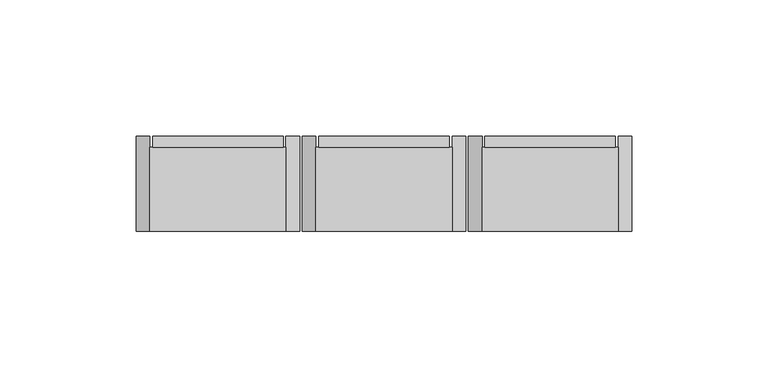
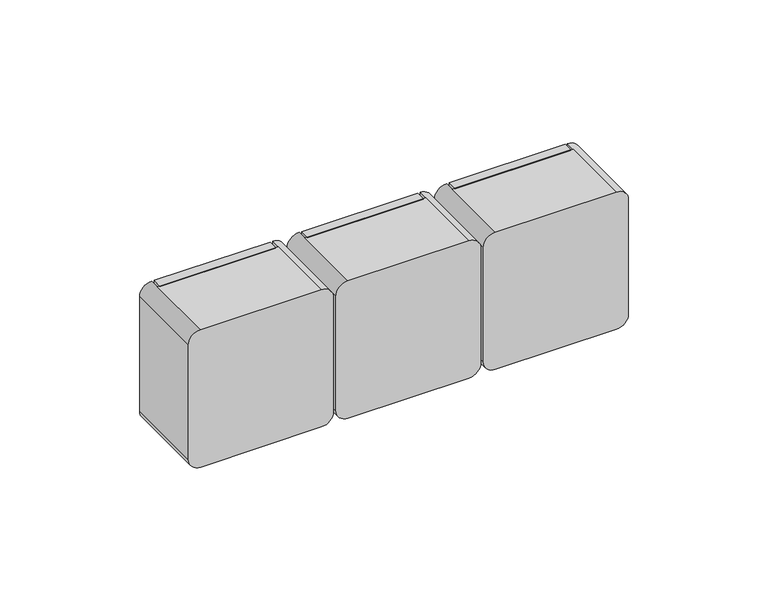
"""IFC4 building model written with IfcOpenShell, lengths in millimetres: proxy geometry."""

from ifc_helpers import new_model, si_unit, frame, origin, place, context, project, spatial, polyline, circle_curve, outline, extrude, source, transform, mapped, element, save
from ifc_brep_helpers import plane_surface, cylinder_surface, advanced_brep


def electrical_fixtures_22262d92(model_context):
    return source(origin(), model_context, "Body", "SolidModel", [
        extrude(outline(polyline([(40.0, 35.0), (88.0, 35.0), (88.0, 31.0), (40.0, 31.0), (40.0, 35.0)])), frame((0.0, 0.0, 150.0), z_axis=(0.0, 0.0, 1.0), x_axis=(1.0, 0.0, 0.0)), (0.0, 0.0, 1.0), 60.0),
        advanced_brep(
        [(89.0, 35.0, 210.0), (94.0, 35.0, 205.0), (94.0, 35.0, 155.0), (89.0, 35.0, 150.0), (39.0, 35.0, 150.0), (34.0, 35.0, 155.0), (34.0, 35.0, 205.0), (39.0, 35.0, 210.0), (39.0, 0.0, 210.0), (34.0, 0.0, 205.0), (34.0, 0.0, 155.0), (39.0, 0.0, 150.0), (89.0, 0.0, 150.0), (94.0, 0.0, 155.0), (94.0, 0.0, 205.0), (89.0, 0.0, 210.0), (89.0, 31.0, 210.0), (39.0, 31.0, 210.0), (39.0, 31.0, 150.0), (89.0, 31.0, 150.0)],
        [
            (0, 1, circle_curve(frame((89.0, 35.0, 205.0), z_axis=(0.0, 1.0, 0.0), x_axis=(-1.0, 0.0, 0.0)), 5.0)),
            (1, 2),
            (2, 3, circle_curve(frame((89.0, 35.0, 155.0), z_axis=(0.0, 1.0, 0.0), x_axis=(-1.0, 0.0, 0.0)), 5.0)),
            (3, 0),
            (4, 5, circle_curve(frame((39.0, 35.0, 155.0), z_axis=(0.0, 1.0, 0.0), x_axis=(-1.0, 0.0, 0.0)), 5.0)),
            (5, 6),
            (6, 7, circle_curve(frame((39.0, 35.0, 205.0), z_axis=(0.0, 1.0, 0.0), x_axis=(-1.0, 0.0, 0.0)), 5.0)),
            (7, 4),
            (8, 9, circle_curve(frame((39.0, 0.0, 205.0), z_axis=(0.0, -1.0, 0.0), x_axis=(-1.0, 0.0, 0.0)), 5.0)),
            (9, 10),
            (10, 11, circle_curve(frame((39.0, 0.0, 155.0), z_axis=(0.0, -1.0, 0.0), x_axis=(-1.0, 0.0, 0.0)), 5.0)),
            (11, 12),
            (12, 13, circle_curve(frame((89.0, 0.0, 155.0), z_axis=(0.0, -1.0, 0.0), x_axis=(-1.0, 0.0, 0.0)), 5.0)),
            (13, 14),
            (14, 15, circle_curve(frame((89.0, 0.0, 205.0), z_axis=(0.0, -1.0, 0.0), x_axis=(-1.0, 0.0, 0.0)), 5.0)),
            (15, 8),
            (15, 16),
            (16, 17),
            (17, 8),
            (1, 14),
            (13, 2),
            (11, 18),
            (18, 19),
            (19, 12),
            (5, 10),
            (9, 6),
            (0, 16),
            (19, 3),
            (4, 18),
            (17, 7),
            (16, 19),
            (18, 17),
        ],
        [
            plane_surface(frame((84.0, 35.0, 210.0), z_axis=(0.0, 1.0, 0.0), x_axis=(1.0, 0.0, 0.0))),
            plane_surface(frame((84.0, 0.0, 210.0), z_axis=(0.0, -1.0, 0.0), x_axis=(-1.0, 0.0, 0.0))),
            plane_surface(frame((39.0, 35.0, 210.0), z_axis=(0.0, 0.0, 1.0), x_axis=(0.0, -1.0, 0.0))),
            plane_surface(frame((94.0, 35.0, 205.0), z_axis=(1.0, 0.0, 0.0), x_axis=(0.0, -1.0, 0.0))),
            plane_surface(frame((89.0, 35.0, 150.0), z_axis=(0.0, 0.0, -1.0), x_axis=(0.0, -1.0, 0.0))),
            plane_surface(frame((34.0, 35.0, 155.0), z_axis=(-1.0, 0.0, 0.0), x_axis=(0.0, -1.0, 0.0))),
            cylinder_surface(frame((89.0, 0.0, 205.0), z_axis=(0.0, 1.0, 0.0), x_axis=(-1.0, 0.0, 0.0)), 5.0),
            cylinder_surface(frame((89.0, 0.0, 155.0), z_axis=(0.0, 1.0, 0.0), x_axis=(-1.0, 0.0, 0.0)), 5.0),
            cylinder_surface(frame((39.0, 0.0, 155.0), z_axis=(0.0, 1.0, 0.0), x_axis=(-1.0, 0.0, 0.0)), 5.0),
            cylinder_surface(frame((39.0, 0.0, 205.0), z_axis=(0.0, 1.0, 0.0), x_axis=(-1.0, 0.0, 0.0)), 5.0),
            plane_surface(frame((39.0, 31.0, 210.0), z_axis=(0.0, 1.0, 0.0), x_axis=(0.0, 0.0, -1.0))),
            plane_surface(frame((39.0, 31.0, 210.0), z_axis=(1.0, 0.0, 0.0), x_axis=(0.0, 1.0, 0.0))),
            plane_surface(frame((89.0, 31.0, 150.0), z_axis=(-1.0, 0.0, 0.0), x_axis=(0.0, 1.0, 0.0))),
        ],
        [
            (0, [[1, 2, 3, 4]]),
            (0, [[5, 6, 7, 8]]),
            (1, [[9, 10, 11, 12, 13, 14, 15, 16]]),
            (2, [[-16, 17, 18, 19]]),
            (3, [[-2, 20, -14, 21]]),
            (4, [[-12, 22, 23, 24]]),
            (5, [[-6, 25, -10, 26]]),
            (6, [[-1, 27, -17, -15, -20]]),
            (7, [[-3, -21, -13, -24, 28]]),
            (8, [[-5, 29, -22, -11, -25]]),
            (9, [[-7, -26, -9, -19, 30]]),
            (10, [[31, -23, 32, -18]]),
            (11, [[-32, -29, -8, -30]]),
            (12, [[-31, -27, -4, -28]]),
        ],
    ),
        extrude(outline(polyline([(101.0, 35.0), (149.0, 35.0), (149.0, 31.0), (101.0, 31.0), (101.0, 35.0)])), frame((0.0, 0.0, 150.0), z_axis=(0.0, 0.0, 1.0), x_axis=(1.0, 0.0, 0.0)), (0.0, 0.0, 1.0), 60.0),
        advanced_brep(
        [(150.0, 35.0, 210.0), (155.0, 35.0, 205.0), (155.0, 35.0, 155.0), (150.0, 35.0, 150.0), (100.0, 35.0, 150.0), (95.0, 35.0, 155.0), (95.0, 35.0, 205.0), (100.0, 35.0, 210.0), (100.0, 0.0, 210.0), (95.0, 0.0, 205.0), (95.0, 0.0, 155.0), (100.0, 0.0, 150.0), (150.0, 0.0, 150.0), (155.0, 0.0, 155.0), (155.0, 0.0, 205.0), (150.0, 0.0, 210.0), (150.0, 31.0, 210.0), (100.0, 31.0, 210.0), (100.0, 31.0, 150.0), (150.0, 31.0, 150.0)],
        [
            (0, 1, circle_curve(frame((150.0, 35.0, 205.0), z_axis=(0.0, 1.0, 0.0), x_axis=(-1.0, 0.0, 0.0)), 5.0)),
            (1, 2),
            (2, 3, circle_curve(frame((150.0, 35.0, 155.0), z_axis=(0.0, 1.0, 0.0), x_axis=(-1.0, 0.0, 0.0)), 5.0)),
            (3, 0),
            (4, 5, circle_curve(frame((100.0, 35.0, 155.0), z_axis=(0.0, 1.0, 0.0), x_axis=(-1.0, 0.0, 0.0)), 5.0)),
            (5, 6),
            (6, 7, circle_curve(frame((100.0, 35.0, 205.0), z_axis=(0.0, 1.0, 0.0), x_axis=(-1.0, 0.0, 0.0)), 5.0)),
            (7, 4),
            (8, 9, circle_curve(frame((100.0, 0.0, 205.0), z_axis=(0.0, -1.0, 0.0), x_axis=(-1.0, 0.0, 0.0)), 5.0)),
            (9, 10),
            (10, 11, circle_curve(frame((100.0, 0.0, 155.0), z_axis=(0.0, -1.0, 0.0), x_axis=(-1.0, 0.0, 0.0)), 5.0)),
            (11, 12),
            (12, 13, circle_curve(frame((150.0, 0.0, 155.0), z_axis=(0.0, -1.0, 0.0), x_axis=(-1.0, 0.0, 0.0)), 5.0)),
            (13, 14),
            (14, 15, circle_curve(frame((150.0, 0.0, 205.0), z_axis=(0.0, -1.0, 0.0), x_axis=(-1.0, 0.0, 0.0)), 5.0)),
            (15, 8),
            (15, 16),
            (16, 17),
            (17, 8),
            (1, 14),
            (13, 2),
            (11, 18),
            (18, 19),
            (19, 12),
            (5, 10),
            (9, 6),
            (0, 16),
            (19, 3),
            (4, 18),
            (17, 7),
            (16, 19),
            (18, 17),
        ],
        [
            plane_surface(frame((145.0, 35.0, 210.0), z_axis=(0.0, 1.0, 0.0), x_axis=(1.0, 0.0, 0.0))),
            plane_surface(frame((145.0, 0.0, 210.0), z_axis=(0.0, -1.0, 0.0), x_axis=(-1.0, 0.0, 0.0))),
            plane_surface(frame((100.0, 35.0, 210.0), z_axis=(0.0, 0.0, 1.0), x_axis=(0.0, -1.0, 0.0))),
            plane_surface(frame((155.0, 35.0, 205.0), z_axis=(1.0, 0.0, 0.0), x_axis=(0.0, -1.0, 0.0))),
            plane_surface(frame((150.0, 35.0, 150.0), z_axis=(0.0, 0.0, -1.0), x_axis=(0.0, -1.0, 0.0))),
            plane_surface(frame((95.0, 35.0, 155.0), z_axis=(-1.0, 0.0, 0.0), x_axis=(0.0, -1.0, 0.0))),
            cylinder_surface(frame((150.0, 0.0, 205.0), z_axis=(0.0, 1.0, 0.0), x_axis=(-1.0, 0.0, 0.0)), 5.0),
            cylinder_surface(frame((150.0, 0.0, 155.0), z_axis=(0.0, 1.0, 0.0), x_axis=(-1.0, 0.0, 0.0)), 5.0),
            cylinder_surface(frame((100.0, 0.0, 155.0), z_axis=(0.0, 1.0, 0.0), x_axis=(-1.0, 0.0, 0.0)), 5.0),
            cylinder_surface(frame((100.0, 0.0, 205.0), z_axis=(0.0, 1.0, 0.0), x_axis=(-1.0, 0.0, 0.0)), 5.0),
            plane_surface(frame((100.0, 31.0, 210.0), z_axis=(0.0, 1.0, 0.0), x_axis=(0.0, 0.0, -1.0))),
            plane_surface(frame((100.0, 31.0, 210.0), z_axis=(1.0, 0.0, 0.0), x_axis=(0.0, 1.0, 0.0))),
            plane_surface(frame((150.0, 31.0, 150.0), z_axis=(-1.0, 0.0, 0.0), x_axis=(0.0, 1.0, 0.0))),
        ],
        [
            (0, [[1, 2, 3, 4]]),
            (0, [[5, 6, 7, 8]]),
            (1, [[9, 10, 11, 12, 13, 14, 15, 16]]),
            (2, [[-16, 17, 18, 19]]),
            (3, [[-2, 20, -14, 21]]),
            (4, [[-12, 22, 23, 24]]),
            (5, [[-6, 25, -10, 26]]),
            (6, [[-1, 27, -17, -15, -20]]),
            (7, [[-3, -21, -13, -24, 28]]),
            (8, [[-5, 29, -22, -11, -25]]),
            (9, [[-7, -26, -9, -19, 30]]),
            (10, [[31, -23, 32, -18]]),
            (11, [[-32, -29, -8, -30]]),
            (12, [[-31, -27, -4, -28]]),
        ],
    ),
        extrude(outline(polyline([(162.0, 35.0), (210.0, 35.0), (210.0, 31.0), (162.0, 31.0), (162.0, 35.0)])), frame((0.0, 0.0, 150.0), z_axis=(0.0, 0.0, 1.0), x_axis=(1.0, 0.0, 0.0)), (0.0, 0.0, 1.0), 60.0),
        advanced_brep(
        [(211.0, 35.0, 210.0), (216.0, 35.0, 205.0), (216.0, 35.0, 155.0), (211.0, 35.0, 150.0), (161.0, 35.0, 150.0), (156.0, 35.0, 155.0), (156.0, 35.0, 205.0), (161.0, 35.0, 210.0), (161.0, 0.0, 210.0), (156.0, 0.0, 205.0), (156.0, 0.0, 155.0), (161.0, 0.0, 150.0), (211.0, 0.0, 150.0), (216.0, 0.0, 155.0), (216.0, 0.0, 205.0), (211.0, 0.0, 210.0), (211.0, 31.0, 210.0), (161.0, 31.0, 210.0), (161.0, 31.0, 150.0), (211.0, 31.0, 150.0)],
        [
            (0, 1, circle_curve(frame((211.0, 35.0, 205.0), z_axis=(0.0, 1.0, 0.0), x_axis=(-1.0, 0.0, 0.0)), 5.0)),
            (1, 2),
            (2, 3, circle_curve(frame((211.0, 35.0, 155.0), z_axis=(0.0, 1.0, 0.0), x_axis=(-1.0, 0.0, 0.0)), 5.0)),
            (3, 0),
            (4, 5, circle_curve(frame((161.0, 35.0, 155.0), z_axis=(0.0, 1.0, 0.0), x_axis=(-1.0, 0.0, 0.0)), 5.0)),
            (5, 6),
            (6, 7, circle_curve(frame((161.0, 35.0, 205.0), z_axis=(0.0, 1.0, 0.0), x_axis=(-1.0, 0.0, 0.0)), 5.0)),
            (7, 4),
            (8, 9, circle_curve(frame((161.0, 0.0, 205.0), z_axis=(0.0, -1.0, 0.0), x_axis=(-1.0, 0.0, 0.0)), 5.0)),
            (9, 10),
            (10, 11, circle_curve(frame((161.0, 0.0, 155.0), z_axis=(0.0, -1.0, 0.0), x_axis=(-1.0, 0.0, 0.0)), 5.0)),
            (11, 12),
            (12, 13, circle_curve(frame((211.0, 0.0, 155.0), z_axis=(0.0, -1.0, 0.0), x_axis=(-1.0, 0.0, 0.0)), 5.0)),
            (13, 14),
            (14, 15, circle_curve(frame((211.0, 0.0, 205.0), z_axis=(0.0, -1.0, 0.0), x_axis=(-1.0, 0.0, 0.0)), 5.0)),
            (15, 8),
            (15, 16),
            (16, 17),
            (17, 8),
            (1, 14),
            (13, 2),
            (11, 18),
            (18, 19),
            (19, 12),
            (5, 10),
            (9, 6),
            (0, 16),
            (19, 3),
            (4, 18),
            (17, 7),
            (16, 19),
            (18, 17),
        ],
        [
            plane_surface(frame((206.0, 35.0, 210.0), z_axis=(0.0, 1.0, 0.0), x_axis=(1.0, 0.0, 0.0))),
            plane_surface(frame((206.0, 0.0, 210.0), z_axis=(0.0, -1.0, 0.0), x_axis=(-1.0, 0.0, 0.0))),
            plane_surface(frame((161.0, 35.0, 210.0), z_axis=(0.0, 0.0, 1.0), x_axis=(0.0, -1.0, 0.0))),
            plane_surface(frame((216.0, 35.0, 205.0), z_axis=(1.0, 0.0, 0.0), x_axis=(0.0, -1.0, 0.0))),
            plane_surface(frame((211.0, 35.0, 150.0), z_axis=(0.0, 0.0, -1.0), x_axis=(0.0, -1.0, 0.0))),
            plane_surface(frame((156.0, 35.0, 155.0), z_axis=(-1.0, 0.0, 0.0), x_axis=(0.0, -1.0, 0.0))),
            cylinder_surface(frame((211.0, 0.0, 205.0), z_axis=(0.0, 1.0, 0.0), x_axis=(-1.0, 0.0, 0.0)), 5.0),
            cylinder_surface(frame((211.0, 0.0, 155.0), z_axis=(0.0, 1.0, 0.0), x_axis=(-1.0, 0.0, 0.0)), 5.0),
            cylinder_surface(frame((161.0, 0.0, 155.0), z_axis=(0.0, 1.0, 0.0), x_axis=(-1.0, 0.0, 0.0)), 5.0),
            cylinder_surface(frame((161.0, 0.0, 205.0), z_axis=(0.0, 1.0, 0.0), x_axis=(-1.0, 0.0, 0.0)), 5.0),
            plane_surface(frame((161.0, 31.0, 210.0), z_axis=(0.0, 1.0, 0.0), x_axis=(0.0, 0.0, -1.0))),
            plane_surface(frame((161.0, 31.0, 210.0), z_axis=(1.0, 0.0, 0.0), x_axis=(0.0, 1.0, 0.0))),
            plane_surface(frame((211.0, 31.0, 150.0), z_axis=(-1.0, 0.0, 0.0), x_axis=(0.0, 1.0, 0.0))),
        ],
        [
            (0, [[1, 2, 3, 4]]),
            (0, [[5, 6, 7, 8]]),
            (1, [[9, 10, 11, 12, 13, 14, 15, 16]]),
            (2, [[-16, 17, 18, 19]]),
            (3, [[-2, 20, -14, 21]]),
            (4, [[-12, 22, 23, 24]]),
            (5, [[-6, 25, -10, 26]]),
            (6, [[-1, 27, -17, -15, -20]]),
            (7, [[-3, -21, -13, -24, 28]]),
            (8, [[-5, 29, -22, -11, -25]]),
            (9, [[-7, -26, -9, -19, 30]]),
            (10, [[31, -23, 32, -18]]),
            (11, [[-32, -29, -8, -30]]),
            (12, [[-31, -27, -4, -28]]),
        ],
    ),
    ])


if __name__ == "__main__":
    model = new_model("IFC4")
    model_context = context("Model", 3, world=origin())
    ifc_project = project(units=[si_unit("LENGTHUNIT", "METRE", prefix="MILLI")], contexts=[model_context])
    site = spatial("IfcSite", under=ifc_project)
    building = spatial("IfcBuilding", under=site)
    placement = place(None, origin())
    electrical_fixtures_shape = electrical_fixtures_22262d92(model_context)
    element("IfcBuildingElementProxy", 1, Name="Electrical Fixtures", at=placement, inside=building, context=model_context, shape_type="MappedRepresentation", body=[
        mapped(electrical_fixtures_shape, transform((0.0, 0.0, 0.0), x_axis=(1.0, 0.0, 0.0), y_axis=(0.0, 1.0, 0.0), z_axis=(0.0, 0.0, 1.0))),
    ])
    save(model, "model.ifc")
